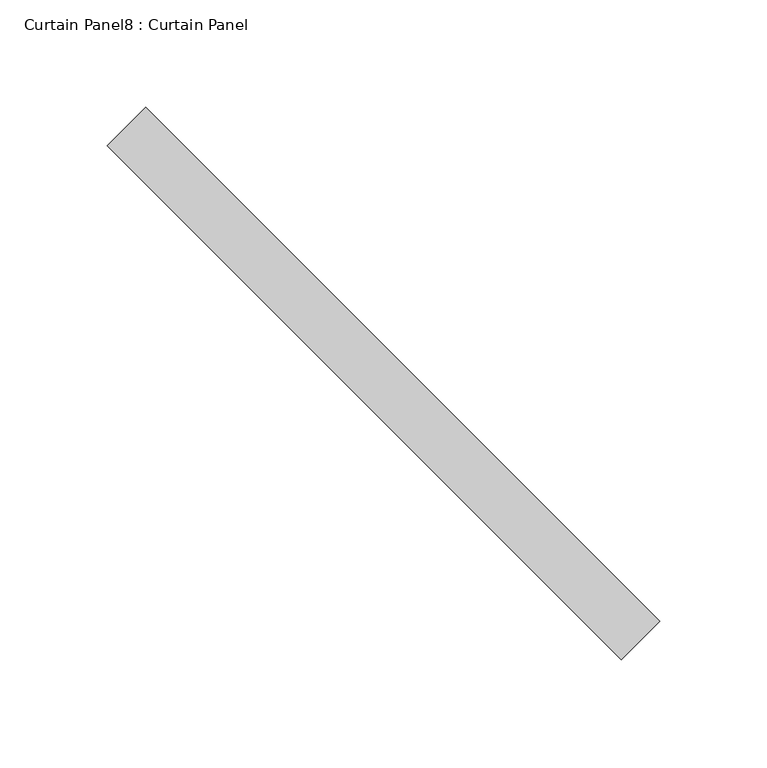
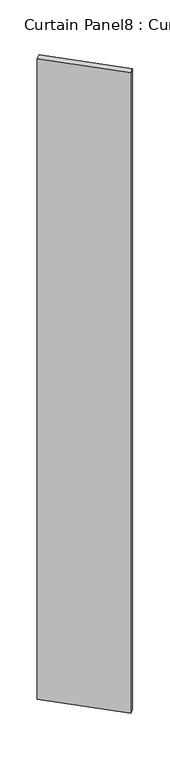
"""IFC4 building model written with IfcOpenShell, lengths in millimetres: plate geometry, Curtain Panel8 : Curtain Panel."""

from ifc_helpers import new_model, si_unit, frame, origin, place, context, project, spatial, polyline, outline, extrude, source, transform, mapped, element, save


def curtain_panel8_curtain_panel_82e3c160(model_context):
    return source(origin(), model_context, "Body", "SweptSolid", [
        extrude(outline(polyline([(-15026.3181188, 2189.9605908), (-14786.0963476, 1949.7388196), (-14804.0568598, 1931.7783074), (-15044.278631, 2172.0000785), (-15026.3181188, 2189.9605908)])), frame((0.0, 0.0, -680.0975461), z_axis=(0.0, 0.0, 1.0), x_axis=(1.0, 0.0, 0.0)), (0.0, 0.0, 1.0), 2743.2),
    ])


if __name__ == "__main__":
    model = new_model("IFC4")
    model_context = context("Model", 3, world=origin())
    ifc_project = project(units=[si_unit("LENGTHUNIT", "METRE", prefix="MILLI")], contexts=[model_context])
    site = spatial("IfcSite", under=ifc_project)
    building = spatial("IfcBuilding", under=site)
    placement = place(None, origin())
    curtain_panel8_curtain_panel_shape = curtain_panel8_curtain_panel_82e3c160(model_context)
    element("IfcPlate", 1, ObjectType="Curtain Panel8 : Curtain Panel", at=placement, inside=building, context=model_context, shape_type="MappedRepresentation", body=[
        mapped(curtain_panel8_curtain_panel_shape, transform((0.0, 0.0, 0.0), x_axis=(1.0, 0.0, 0.0), y_axis=(0.0, 1.0, 0.0), z_axis=(0.0, 0.0, 1.0))),
    ])
    save(model, "model.ifc")
